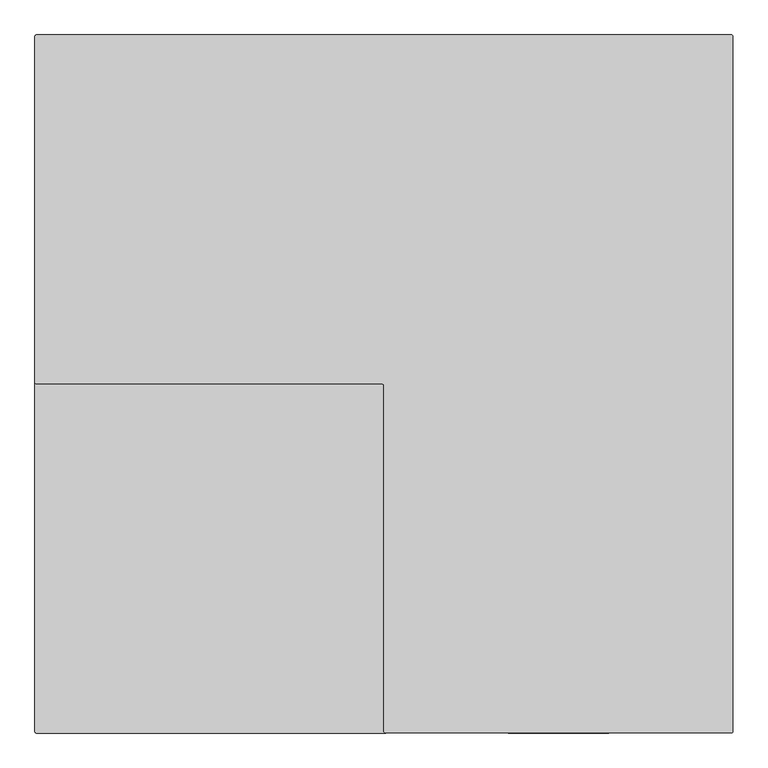
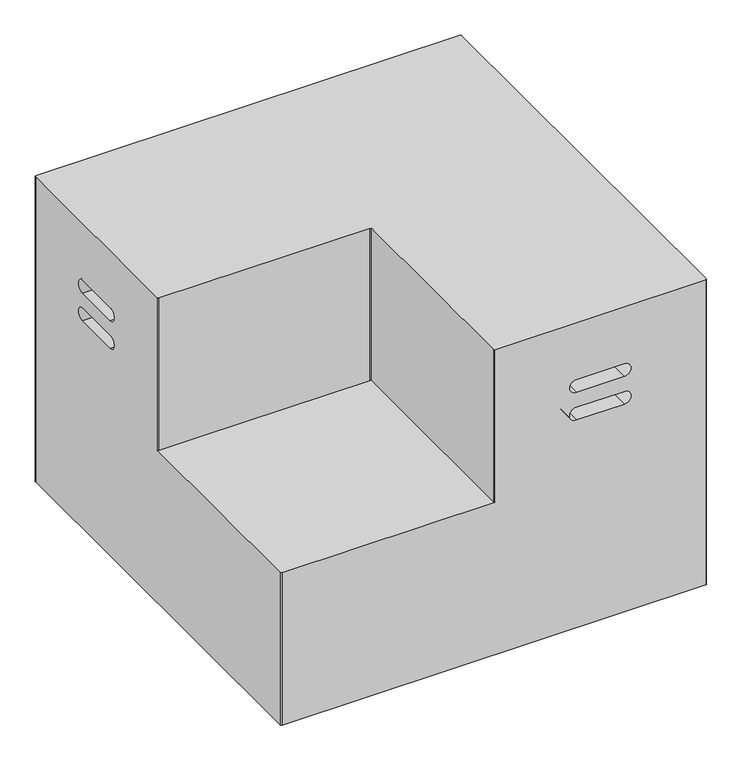
"""IFC4 building model written with IfcOpenShell, lengths in millimetres: furniture geometry."""

from ifc_helpers import new_model, si_unit, point, frame, frame_2d, origin, origin_with_axes, place, context, project, spatial, polyline, circle_curve, trimmed, segment, composite_curve, outline, extrude, source, transform, mapped, element, save
from ifc_brep_helpers import plane_surface, cylinder_surface, revolved_surface, advanced_brep


def furniture_c04b55f3(model_context):
    return source(origin(), model_context, "Body", "SolidModel", [
        advanced_brep(
        [(1013.46, 0.0, 787.4), (2.54, 0.0, 787.4), (0.0, -2.54, 787.4), (0.0, -505.46, 787.4), (2.54, -508.0, 787.4), (505.46, -508.0, 787.4), (508.0, -510.54, 787.4), (508.0, -1013.46, 787.4), (510.54, -1016.0, 787.4), (1013.46, -1016.0, 787.4), (1016.0, -1013.46, 787.4), (1016.0, -2.54, 787.4), (1013.46, 0.0, 19.05), (1016.0, -2.54, 19.05), (1016.0, -1013.46, 19.05), (1013.46, -1016.0, 19.05), (2.54, -1016.0, 19.05), (0.0, -1013.46, 19.05), (0.0, -2.54, 19.05), (2.54, 0.0, 19.05), (0.0, -1013.46, 403.225), (0.0, -505.46, 403.225), (0.0, -311.1926468, 643.62965), (0.0, -311.1926468, 611.99395), (0.0, -196.8073532, 611.99395), (0.0, -196.8073532, 643.62965), (0.0, -311.1490274, 542.25825), (0.0, -196.8509726, 542.25825), (0.0, -196.8509726, 573.89395), (0.0, -311.1490274, 573.89395), (2.54, -1016.0, 403.225), (510.54, -1016.0, 403.225), (704.8073532, -1016.0, 542.25825), (704.8073532, -1016.0, 573.89395), (819.1926468, -1016.0, 573.89395), (819.1926468, -1016.0, 542.25825), (819.1490274, -1016.0, 643.62965), (819.1490274, -1016.0, 611.99395), (704.8509726, -1016.0, 611.99395), (704.8509726, -1016.0, 643.62965), (508.0, -1013.46, 403.225), (508.0, -510.54, 403.225), (505.46, -508.0, 403.225), (2.54, -508.0, 403.225), (704.8073532, -508.0, 573.89395), (704.8073532, -508.0, 542.25825), (819.1926468, -508.0, 542.25825), (819.1926468, -508.0, 573.89395), (819.1490274, -508.0, 611.99395), (819.1490274, -508.0, 643.62965), (704.8509726, -508.0, 643.62965), (704.8509726, -508.0, 611.99395), (508.0, -311.1926468, 643.62965), (508.0, -196.8073532, 643.62965), (508.0, -196.8073532, 611.99395), (508.0, -311.1926468, 611.99395), (508.0, -196.8509726, 542.25825), (508.0, -311.1490274, 542.25825), (508.0, -311.1490274, 573.89395), (508.0, -196.8509726, 573.89395)],
        [
            (0, 1),
            (1, 2, circle_curve(frame((2.54, -2.54, 787.4), z_axis=(0.0, 0.0, 1.0), x_axis=(-1.0, 0.0, 0.0)), 2.54)),
            (2, 3),
            (3, 4, circle_curve(frame((2.54, -505.46, 787.4), z_axis=(0.0, 0.0, 1.0), x_axis=(-1.0, 0.0, 0.0)), 2.54)),
            (4, 5),
            (5, 6, circle_curve(frame((505.46, -510.54, 787.4), z_axis=(0.0, 0.0, -1.0), x_axis=(-1.0, 0.0, 0.0)), 2.54)),
            (6, 7),
            (7, 8, circle_curve(frame((510.54, -1013.46, 787.4), z_axis=(0.0, 0.0, 1.0), x_axis=(-1.0, 0.0, 0.0)), 2.54)),
            (8, 9),
            (9, 10, circle_curve(frame((1013.46, -1013.46, 787.4), z_axis=(0.0, 0.0, 1.0), x_axis=(-1.0, 0.0, 0.0)), 2.54)),
            (10, 11),
            (11, 0, circle_curve(frame((1013.46, -2.54, 787.4), z_axis=(0.0, 0.0, 1.0), x_axis=(-1.0, 0.0, 0.0)), 2.54)),
            (12, 13, circle_curve(frame((1013.46, -2.54, 19.05), z_axis=(0.0, 0.0, -1.0), x_axis=(-1.0, 0.0, 0.0)), 2.54)),
            (13, 14),
            (14, 15, circle_curve(frame((1013.46, -1013.46, 19.05), z_axis=(0.0, 0.0, -1.0), x_axis=(-1.0, 0.0, 0.0)), 2.54)),
            (15, 16),
            (16, 17, circle_curve(frame((2.54, -1013.46, 19.05), z_axis=(0.0, 0.0, -1.0), x_axis=(-1.0, 0.0, 0.0)), 2.54)),
            (17, 18),
            (18, 19, circle_curve(frame((2.54, -2.54, 19.05), z_axis=(0.0, 0.0, -1.0), x_axis=(-1.0, 0.0, 0.0)), 2.54)),
            (19, 12),
            (0, 12),
            (19, 1),
            (18, 2),
            (17, 20),
            (20, 21),
            (21, 3),
            (22, 23, circle_curve(frame((0.0, -311.1926468, 627.8118), z_axis=(1.0, 0.0, 0.0), x_axis=(0.0, 1.0, 0.0)), 15.81785)),
            (23, 24),
            (24, 25, circle_curve(frame((0.0, -196.8073532, 627.8118), z_axis=(1.0, 0.0, 0.0), x_axis=(0.0, 1.0, 0.0)), 15.81785)),
            (25, 22),
            (26, 27),
            (27, 28, circle_curve(frame((0.0, -196.8509726, 558.0761), z_axis=(1.0, 0.0, 0.0), x_axis=(0.0, 1.0, 0.0)), 15.81785)),
            (28, 29),
            (29, 26, circle_curve(frame((0.0, -311.1490274, 558.0761), z_axis=(1.0, 0.0, 0.0), x_axis=(0.0, 1.0, 0.0)), 15.81785)),
            (16, 30),
            (30, 20, circle_curve(frame((2.54, -1013.46, 403.225), z_axis=(0.0, 0.0, -1.0), x_axis=(-1.0, 0.0, 0.0)), 2.54)),
            (15, 9),
            (8, 31),
            (31, 30),
            (32, 33, circle_curve(frame((704.8073532, -1016.0, 558.0761), z_axis=(0.0, 1.0, 0.0), x_axis=(1.0, 0.0, 0.0)), 15.81785)),
            (33, 34),
            (34, 35, circle_curve(frame((819.1926468, -1016.0, 558.0761), z_axis=(0.0, 1.0, 0.0), x_axis=(1.0, 0.0, 0.0)), 15.81785)),
            (35, 32),
            (36, 37, circle_curve(frame((819.1490274, -1016.0, 627.8118), z_axis=(0.0, 1.0, 0.0), x_axis=(1.0, 0.0, 0.0)), 15.81785)),
            (37, 38),
            (38, 39, circle_curve(frame((704.8509726, -1016.0, 627.8118), z_axis=(0.0, 1.0, 0.0), x_axis=(1.0, 0.0, 0.0)), 15.81785)),
            (39, 36),
            (14, 10),
            (13, 11),
            (31, 40, circle_curve(frame((510.54, -1013.46, 403.225), z_axis=(0.0, 0.0, -1.0), x_axis=(-1.0, 0.0, 0.0)), 2.54)),
            (40, 41),
            (41, 42, circle_curve(frame((505.46, -510.54, 403.225), z_axis=(0.0, 0.0, 1.0), x_axis=(-1.0, 0.0, 0.0)), 2.54)),
            (42, 43),
            (43, 21, circle_curve(frame((2.54, -505.46, 403.225), z_axis=(0.0, 0.0, -1.0), x_axis=(-1.0, 0.0, 0.0)), 2.54)),
            (40, 7),
            (6, 41),
            (44, 45, circle_curve(frame((704.8073532, -508.0, 558.0761), z_axis=(0.0, -1.0, 0.0), x_axis=(1.0, 0.0, 0.0)), 15.81785)),
            (45, 46),
            (46, 47, circle_curve(frame((819.1926468, -508.0, 558.0761), z_axis=(0.0, -1.0, 0.0), x_axis=(1.0, 0.0, 0.0)), 15.81785)),
            (47, 44),
            (48, 49, circle_curve(frame((819.1490274, -508.0, 627.8118), z_axis=(0.0, -1.0, 0.0), x_axis=(1.0, 0.0, 0.0)), 15.81785)),
            (49, 50),
            (50, 51, circle_curve(frame((704.8509726, -508.0, 627.8118), z_axis=(0.0, -1.0, 0.0), x_axis=(1.0, 0.0, 0.0)), 15.81785)),
            (51, 48),
            (44, 33),
            (32, 45),
            (35, 46),
            (34, 47),
            (48, 37),
            (36, 49),
            (39, 50),
            (38, 51),
            (5, 42),
            (4, 43),
            (52, 53),
            (53, 54, circle_curve(frame((508.0, -196.8073532, 627.8118), z_axis=(-1.0, 0.0, 0.0), x_axis=(0.0, 1.0, 0.0)), 15.81785)),
            (54, 55),
            (55, 52, circle_curve(frame((508.0, -311.1926468, 627.8118), z_axis=(-1.0, 0.0, 0.0), x_axis=(0.0, 1.0, 0.0)), 15.81785)),
            (56, 57),
            (57, 58, circle_curve(frame((508.0, -311.1490274, 558.0761), z_axis=(-1.0, 0.0, 0.0), x_axis=(0.0, 1.0, 0.0)), 15.81785)),
            (58, 59),
            (59, 56, circle_curve(frame((508.0, -196.8509726, 558.0761), z_axis=(-1.0, 0.0, 0.0), x_axis=(0.0, 1.0, 0.0)), 15.81785)),
            (55, 23),
            (22, 52),
            (54, 24),
            (53, 25),
            (56, 27),
            (26, 57),
            (29, 58),
            (28, 59),
        ],
        [
            plane_surface(frame((2.54, 0.0, 787.4), z_axis=(0.0, 0.0, 1.0), x_axis=(-1.0, 0.0, 0.0))),
            plane_surface(frame((2.54, 0.0, 19.05), z_axis=(0.0, 0.0, -1.0), x_axis=(1.0, 0.0, 0.0))),
            plane_surface(frame((1013.46, 0.0, 787.4), z_axis=(0.0, 1.0, 0.0), x_axis=(0.0, 0.0, -1.0))),
            cylinder_surface(frame((2.54, -2.54, 19.05), z_axis=(0.0, 0.0, 1.0), x_axis=(-1.0, 0.0, 0.0)), 2.54),
            plane_surface(frame((0.0, -2.54, 787.4), z_axis=(-1.0, 0.0, 0.0), x_axis=(0.0, 0.0, -1.0))),
            cylinder_surface(frame((2.54, -1013.46, 19.05), z_axis=(0.0, 0.0, 1.0), x_axis=(-1.0, 0.0, 0.0)), 2.54),
            plane_surface(frame((2.54, -1016.0, 787.4), z_axis=(0.0, -1.0, 0.0), x_axis=(0.0, 0.0, -1.0))),
            cylinder_surface(frame((1013.46, -1013.46, 19.05), z_axis=(0.0, 0.0, 1.0), x_axis=(-1.0, 0.0, 0.0)), 2.54),
            plane_surface(frame((1016.0, -1013.46, 787.4), z_axis=(1.0, 0.0, 0.0), x_axis=(0.0, 0.0, -1.0))),
            cylinder_surface(frame((1013.46, -2.54, 19.05), z_axis=(0.0, 0.0, 1.0), x_axis=(-1.0, 0.0, 0.0)), 2.54),
            plane_surface(frame((2.54, -1016.0, 403.225), z_axis=(0.0, 0.0, 1.0), x_axis=(-1.0, 0.0, 0.0))),
            plane_surface(frame((508.0, -1013.46, 787.4), z_axis=(-1.0, 0.0, 0.0), x_axis=(0.0, 0.0, -1.0))),
            plane_surface(frame((720.6252032, -508.0, 558.0761), z_axis=(0.0, -1.0, 0.0), x_axis=(0.0, 0.0, -1.0))),
            revolved_surface(polyline([(720.6252032, -1016.0, 558.0761), (720.6252032, -508.0, 558.0761)]), (704.8073532, -508.0, 558.0761), (0.0, -1.0, 0.0)),
            plane_surface(frame((704.8073532, -1016.0, 542.25825), z_axis=(0.0, 0.0, 1.0), x_axis=(0.0, 1.0, 0.0))),
            revolved_surface(polyline([(835.0104968, -1016.0, 558.0761), (835.0104968, -508.0, 558.0761)]), (819.1926468, -508.0, 558.0761), (0.0, -1.0, 0.0)),
            plane_surface(frame((819.1926468, -1016.0, 573.89395), z_axis=(0.0, 0.0, -1.0), x_axis=(0.0, 1.0, 0.0))),
            revolved_surface(polyline([(834.9668774, -1016.0, 627.8118), (834.9668774, -508.0, 627.8118)]), (819.1490274, 0.0, 627.8118), (0.0, -1.0, 0.0)),
            plane_surface(frame((819.1490274, -1016.0, 643.62965), z_axis=(0.0, 0.0, -1.0), x_axis=(0.0, 1.0, 0.0))),
            revolved_surface(polyline([(720.6688226, -1016.0, 627.8118), (720.6688226, -508.0, 627.8118)]), (704.8509726, 0.0, 627.8118), (0.0, -1.0, 0.0)),
            plane_surface(frame((704.8509726, -1016.0, 611.99395), z_axis=(0.0, 0.0, 1.0), x_axis=(0.0, 1.0, 0.0))),
            cylinder_surface(frame((510.54, -1013.46, 403.225), z_axis=(0.0, 0.0, -1.0), x_axis=(-1.0, 0.0, 0.0)), 2.54),
            revolved_surface(polyline([(502.91999999999996, -510.54, 787.4), (502.91999999999996, -510.54, 403.225)]), (505.46, -510.54, 403.225), (0.0, 0.0, 1.0)),
            plane_surface(frame((505.46, -508.0, 787.4), z_axis=(0.0, -1.0, 0.0), x_axis=(0.0, 0.0, -1.0))),
            cylinder_surface(frame((2.54, -505.46, 403.225), z_axis=(0.0, 0.0, -1.0), x_axis=(-1.0, 0.0, 0.0)), 2.54),
            plane_surface(frame((508.0, -196.8073532, 643.62965), z_axis=(-1.0, 0.0, 0.0), x_axis=(0.0, -1.0, 0.0))),
            revolved_surface(polyline([(0.0, -295.37479679999996, 627.8118), (508.0, -295.37479679999996, 627.8118)]), (508.0, -311.1926468, 627.8118), (-1.0, 0.0, 0.0)),
            plane_surface(frame((0.0, -196.8073532, 611.99395), z_axis=(0.0, 0.0, 1.0), x_axis=(1.0, 0.0, 0.0))),
            revolved_surface(polyline([(0.0, -180.9895032, 627.8118), (508.0, -180.9895032, 627.8118)]), (508.0, -196.8073532, 627.8118), (-1.0, 0.0, 0.0)),
            plane_surface(frame((0.0, -311.1926468, 643.62965), z_axis=(0.0, 0.0, -1.0), x_axis=(1.0, 0.0, 0.0))),
            plane_surface(frame((0.0, -196.8509726, 542.25825), z_axis=(0.0, 0.0, 1.0), x_axis=(1.0, 0.0, 0.0))),
            revolved_surface(polyline([(0.0, -295.3311774, 558.0761), (508.0, -295.3311774, 558.0761)]), (1016.0, -311.1490274, 558.0761), (-1.0, 0.0, 0.0)),
            plane_surface(frame((0.0, -311.1490274, 573.89395), z_axis=(0.0, 0.0, -1.0), x_axis=(1.0, 0.0, 0.0))),
            revolved_surface(polyline([(0.0, -181.0331226, 558.0761), (508.0, -181.0331226, 558.0761)]), (1016.0, -196.8509726, 558.0761), (-1.0, 0.0, 0.0)),
        ],
        [
            (0, [[1, 2, 3, 4, 5, 6, 7, 8, 9, 10, 11, 12]]),
            (1, [[13, 14, 15, 16, 17, 18, 19, 20]]),
            (2, [[-1, 21, -20, 22]]),
            (3, [[-2, -22, -19, 23]]),
            (4, [[-18, 24, 25, 26, -3, -23], [27, 28, 29, 30], [31, 32, 33, 34]]),
            (5, [[-17, 35, 36, -24]]),
            (6, [[-16, 37, -9, 38, 39, -35], [40, 41, 42, 43], [44, 45, 46, 47]]),
            (7, [[-10, -37, -15, 48]]),
            (8, [[-11, -48, -14, 49]]),
            (9, [[-12, -49, -13, -21]]),
            (10, [[50, 51, 52, 53, 54, -25, -36, -39]]),
            (11, [[-51, 55, -7, 56]]),
            (12, [[57, 58, 59, 60]]),
            (12, [[61, 62, 63, 64]]),
            (13, [[-57, 65, -40, 66]]),
            (14, [[-58, -66, -43, 67]]),
            (15, [[-59, -67, -42, 68]]),
            (16, [[-60, -68, -41, -65]]),
            (17, [[-61, 69, -44, 70]]),
            (18, [[-62, -70, -47, 71]]),
            (19, [[-63, -71, -46, 72]]),
            (20, [[-64, -72, -45, -69]]),
            (21, [[-50, -38, -8, -55]]),
            (22, [[-52, -56, -6, 73]]),
            (23, [[-53, -73, -5, 74]]),
            (24, [[-54, -74, -4, -26]]),
            (25, [[75, 76, 77, 78]]),
            (25, [[79, 80, 81, 82]]),
            (26, [[-78, 83, -27, 84]]),
            (27, [[-77, 85, -28, -83]]),
            (28, [[-76, 86, -29, -85]]),
            (29, [[-75, -84, -30, -86]]),
            (30, [[-79, 87, -31, 88]]),
            (31, [[-80, -88, -34, 89]]),
            (32, [[-81, -89, -33, 90]]),
            (33, [[-82, -90, -32, -87]]),
        ],
    ),
        extrude(outline(composite_curve([segment(trimmed(circle_curve(frame_2d((38.1, -38.1)), 12.7), [point((25.4, -38.1))], [point((50.8, -38.1))], False, "CARTESIAN"), True, "CONTINUOUS"), segment(trimmed(circle_curve(frame_2d((38.1, -38.1)), 12.7), [point((50.8, -38.1))], [point((25.4, -38.1))], False, "CARTESIAN"), True, "CONTINUOUS")], self_intersect=False)), origin_with_axes(), (0.0, 0.0, 1.0), 19.05),
        extrude(outline(composite_curve([segment(trimmed(circle_curve(frame_2d((38.1, -977.9)), 12.7), [point((25.4, -977.9))], [point((50.8, -977.9))], False, "CARTESIAN"), True, "CONTINUOUS"), segment(trimmed(circle_curve(frame_2d((38.1, -977.9)), 12.7), [point((50.8, -977.9))], [point((25.4, -977.9))], False, "CARTESIAN"), True, "CONTINUOUS")], self_intersect=False)), origin_with_axes(), (0.0, 0.0, 1.0), 19.05),
        extrude(outline(composite_curve([segment(trimmed(circle_curve(frame_2d((977.9, -38.1)), 12.7), [point((965.2, -38.1))], [point((990.6, -38.1))], False, "CARTESIAN"), True, "CONTINUOUS"), segment(trimmed(circle_curve(frame_2d((977.9, -38.1)), 12.7), [point((990.6, -38.1))], [point((965.2, -38.1))], False, "CARTESIAN"), True, "CONTINUOUS")], self_intersect=False)), origin_with_axes(), (0.0, 0.0, 1.0), 19.05),
        extrude(outline(composite_curve([segment(trimmed(circle_curve(frame_2d((977.9, -977.9)), 12.7), [point((965.2, -977.9))], [point((990.6, -977.9))], False, "CARTESIAN"), True, "CONTINUOUS"), segment(trimmed(circle_curve(frame_2d((977.9, -977.9)), 12.7), [point((990.6, -977.9))], [point((965.2, -977.9))], False, "CARTESIAN"), True, "CONTINUOUS")], self_intersect=False)), origin_with_axes(), (0.0, 0.0, 1.0), 19.05),
    ])


if __name__ == "__main__":
    model = new_model("IFC4")
    model_context = context("Model", 3, world=origin())
    ifc_project = project(units=[si_unit("LENGTHUNIT", "METRE", prefix="MILLI")], contexts=[model_context])
    site = spatial("IfcSite", under=ifc_project)
    building = spatial("IfcBuilding", under=site)
    placement = place(None, origin())
    furniture_shape = furniture_c04b55f3(model_context)
    element("IfcFurniture", 1, at=placement, inside=building, context=model_context, shape_type="MappedRepresentation", body=[
        mapped(furniture_shape, transform((0.0, 0.0, 0.0), x_axis=(1.0, 0.0, 0.0), y_axis=(0.0, 1.0, 0.0), z_axis=(0.0, 0.0, 1.0))),
    ])
    save(model, "model.ifc")
